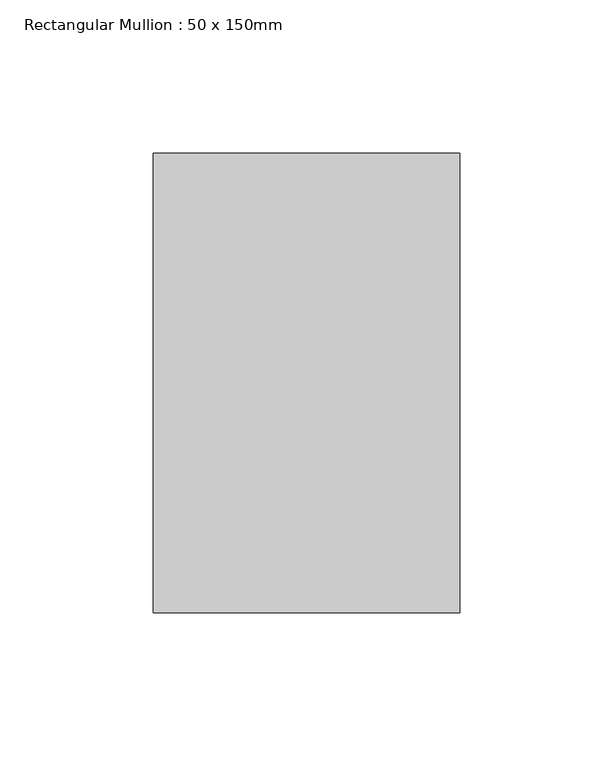
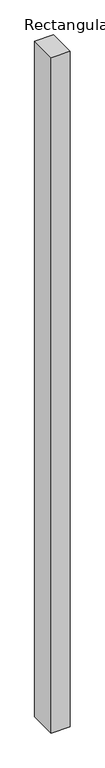
"""IFC4 building model written with IfcOpenShell, lengths in millimetres: member geometry, Rectangular Mullion : 50 x 150mm."""

from ifc_helpers import new_model, si_unit, frame, origin, place, context, project, spatial, polyline, outline, extrude, source, transform, mapped, element, save


def rectangular_mullion_50_x_150mm_838bc176(model_context):
    return source(origin(), model_context, "Body", "SweptSolid", [
        extrude(outline(polyline([(50.0, 75.0), (50.0, -75.0), (-50.0, -75.0), (-50.0, 75.0), (50.0, 75.0)])), frame((0.0, 0.0, -3756.1608717), z_axis=(0.0, 0.0, 1.0), x_axis=(1.0, 0.0, 0.0)), (0.0, 0.0, 1.0), 3756.1608717),
    ])


if __name__ == "__main__":
    model = new_model("IFC4")
    model_context = context("Model", 3, world=origin())
    ifc_project = project(units=[si_unit("LENGTHUNIT", "METRE", prefix="MILLI")], contexts=[model_context])
    site = spatial("IfcSite", under=ifc_project)
    building = spatial("IfcBuilding", under=site)
    placement = place(None, origin())
    rectangular_mullion_50_x_150mm_shape = rectangular_mullion_50_x_150mm_838bc176(model_context)
    element("IfcMember", 1, ObjectType="Rectangular Mullion : 50 x 150mm", at=placement, inside=building, context=model_context, shape_type="MappedRepresentation", body=[
        mapped(rectangular_mullion_50_x_150mm_shape, transform((0.0, 0.0, 0.0), x_axis=(1.0, 0.0, 0.0), y_axis=(0.0, 1.0, 0.0), z_axis=(0.0, 0.0, 1.0))),
    ])
    save(model, "model.ifc")
